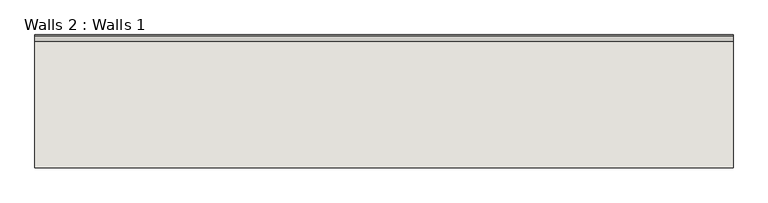
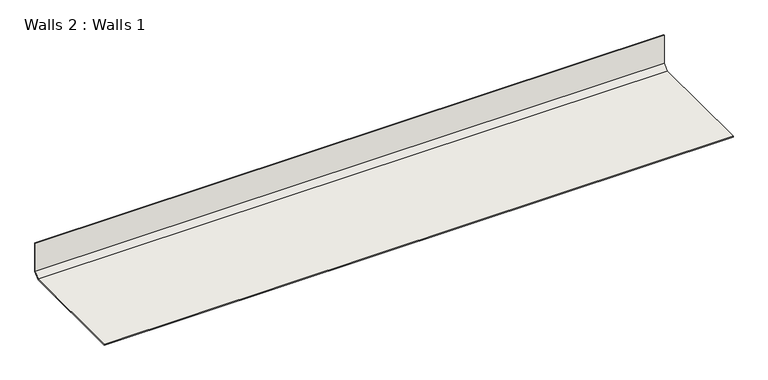
"""IFC4 building model written with IfcOpenShell, lengths in millimetres: wall geometry, Walls 2 : Walls 1."""

from ifc_helpers import new_model, si_unit, frame, origin, place, context, project, spatial, polyline, outline, extrude, source, transform, mapped, element, save


def walls_2_walls_1_828aa85d(model_context):
    return source(origin(), model_context, "Body", "SweptSolid", [
        extrude(outline(polyline([(2502.9875696, 120.65), (2502.9875696, 19.05), (2483.9375696, 0.0), (2096.5875696, 0.0), (2096.5875696, 3.175), (2482.6224415, 3.175), (2499.8125696, 20.3651281), (2499.8125696, 120.65), (2502.9875696, 120.65)])), frame((-951.7491178, 0.0, 0.0), z_axis=(1.0, 0.0, 0.0), x_axis=(0.0, 1.0, 0.0)), (0.0, 0.0, 1.0), 2133.6),
    ])


if __name__ == "__main__":
    model = new_model("IFC4")
    model_context = context("Model", 3, world=origin())
    ifc_project = project(units=[si_unit("LENGTHUNIT", "METRE", prefix="MILLI")], contexts=[model_context])
    site = spatial("IfcSite", under=ifc_project)
    building = spatial("IfcBuilding", under=site)
    placement = place(None, origin())
    walls_2_walls_1_shape = walls_2_walls_1_828aa85d(model_context)
    element("IfcWall", 1, ObjectType="Walls 2 : Walls 1", at=placement, inside=building, context=model_context, shape_type="MappedRepresentation", body=[
        mapped(walls_2_walls_1_shape, transform((0.0, 0.0, 0.0), x_axis=(1.0, 0.0, 0.0), y_axis=(0.0, 1.0, 0.0), z_axis=(0.0, 0.0, 1.0))),
    ])
    save(model, "model.ifc")
